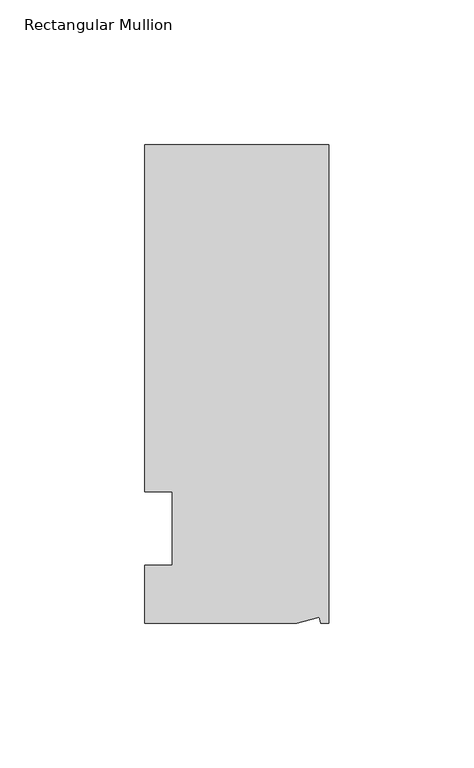
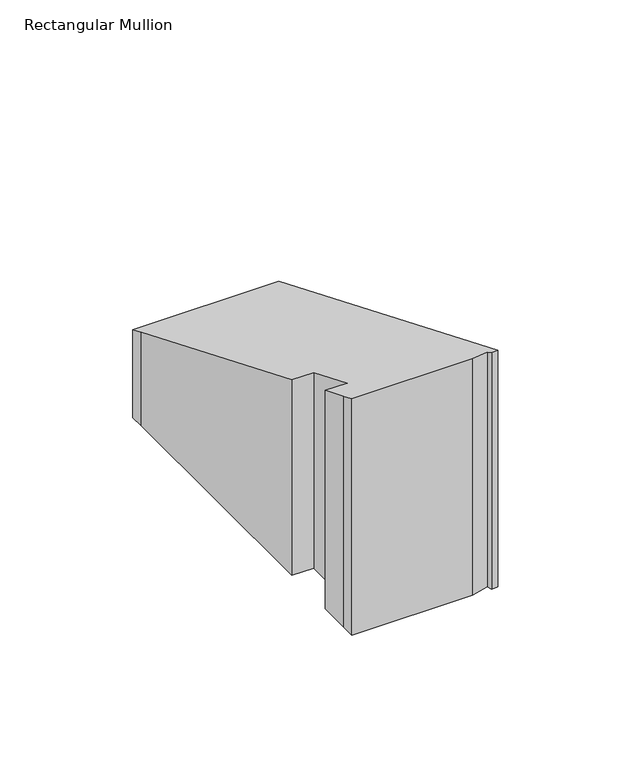
"""IFC4 building model written with IfcOpenShell, lengths in millimetres: member geometry, Rectangular Mullion."""

import ifcopenshell
import ifcopenshell.guid

model = None  # the IFC model being written
_history = None  # IfcOwnerHistory: only IFC2X3 demands one
_inside = {}  # id of a spatial element -> (the spatial element, [elements in it])
_under = {}  # id of a project, library or spatial element -> (it, [spatial elements below it])
_declared = {}  # id of a project -> (the project, [libraries it declares])
_typed = {}  # id of a type object -> (the type object, [elements of that type])
_made_of = {}  # id of a material, layer set ... -> (it, [elements and type objects made of it])


def new_model(schema):
    """Start an empty IFC model of exactly this schema.

    Asked for "IFC4X3", IfcOpenShell would pick the latest addendum, in which some entities
    have other attributes; the version numbers below select the first issue.
    IFC2X3 requires an IfcOwnerHistory on every rooted entity: one is made here for all.
    """
    global model, _history
    if schema == "IFC4X3":
        model = ifcopenshell.file(schema_version=(4, 3, 0, 0))
    else:
        model = ifcopenshell.file(schema=schema)
    _inside.clear()
    _under.clear()
    _declared.clear()
    _typed.clear()
    _made_of.clear()
    _history = None
    if model.schema == "IFC2X3":
        org = make("IfcOrganization", Name="unknown")
        user = make(
            "IfcPersonAndOrganization",
            ThePerson=make("IfcPerson", FamilyName="unknown"),
            TheOrganization=org,
        )
        app = make(
            "IfcApplication",
            ApplicationDeveloper=org,
            Version="unknown",
            ApplicationFullName="unknown",
            ApplicationIdentifier="unknown",
        )
        _history = make(
            "IfcOwnerHistory",
            OwningUser=user,
            OwningApplication=app,
            ChangeAction="ADDED",
            CreationDate=0,
        )
    return model


def make(cls, **values):
    """One entity of the class cls with the attributes given. An attribute that is None is left unset."""
    return model.create_entity(
        cls, **{name: value for name, value in values.items() if value is not None}
    )


def rooted(cls, **values):
    """An entity with a GlobalId (a new one), such as an element, a storey or a relation."""
    return make(cls, GlobalId=ifcopenshell.guid.new(), OwnerHistory=_history, **values)


def si_unit(unit_type, name, prefix=None):
    """IfcSIUnit, for example si_unit("LENGTHUNIT", "METRE", prefix="MILLI")."""
    return make("IfcSIUnit", UnitType=unit_type, Prefix=prefix, Name=name)


def assignment(units):
    """IfcUnitAssignment: the units of a project."""
    return None if units is None else make("IfcUnitAssignment", Units=units)


def point(xyz):
    """IfcCartesianPoint."""
    return None if xyz is None else make("IfcCartesianPoint", Coordinates=xyz)


def direction(xyz):
    """IfcDirection."""
    return None if xyz is None else make("IfcDirection", DirectionRatios=xyz)


def frame(location, z_axis=None, x_axis=None):
    """IfcAxis2Placement3D, a coordinate frame: its origin and axes. An axis left out is left unset."""
    return make(
        "IfcAxis2Placement3D",
        Location=point(location),
        Axis=direction(z_axis),
        RefDirection=direction(x_axis),
    )


def origin():
    """The frame at (0, 0, 0) with its axes left unset."""
    return frame((0.0, 0.0, 0.0))


def place(relative_to, where):
    """IfcLocalPlacement: puts the frame where relative to a parent placement (None: the world)."""
    return make(
        "IfcLocalPlacement", PlacementRelTo=relative_to, RelativePlacement=where
    )


def context(
    kind, dimensions, precision=None, world=None, true_north=None, identifier=None
):
    """IfcGeometricRepresentationContext, for example the 3D "Model" context."""
    return make(
        "IfcGeometricRepresentationContext",
        ContextIdentifier=identifier,
        ContextType=kind,
        CoordinateSpaceDimension=dimensions,
        Precision=precision,
        WorldCoordinateSystem=world,
        TrueNorth=true_north,
    )


def project(units=None, contexts=None):
    """IfcProject with its units and contexts."""
    return rooted(
        "IfcProject",
        Name="project",
        RepresentationContexts=contexts,
        UnitsInContext=assignment(units),
    )


def spatial(cls, under=None, at=None, **own):
    """A site, building, storey or space (cls), placed at a placement, below another one or the project."""
    s = rooted(cls, ObjectPlacement=at, **own)
    if under is not None:
        _under.setdefault(under.id(), (under, []))[1].append(s)
    return s


def faces_of(points, faces, orient=None, outer=None):
    """IfcFace entities. A face is a list of loops; a loop is a list of indices into points, from 0.

    orient and outer hold one flag for each loop. By default every Orientation is true, the
    first loop of a face is its IfcFaceOuterBound and the others are IfcFaceBound.
    """
    made = []
    for i, loops in enumerate(faces):
        bounds = []
        for j, loop in enumerate(loops):
            is_outer = j == 0 if outer is None else outer[i][j]
            bounds.append(
                make(
                    "IfcFaceOuterBound" if is_outer else "IfcFaceBound",
                    Bound=make("IfcPolyLoop", Polygon=[points[k] for k in loop]),
                    Orientation=True if orient is None else orient[i][j],
                )
            )
        made.append(make("IfcFace", Bounds=bounds))
    return made


def faceted_brep(points, faces, orient=None, outer=None, voids=None):
    """IfcFacetedBrep: a solid bounded by flat faces; with voids (closed shells), ...WithVoids."""
    shared = [point(p) for p in points]
    hull = make("IfcClosedShell", CfsFaces=faces_of(shared, faces, orient, outer))
    if voids is None:
        return make("IfcFacetedBrep", Outer=hull)
    return make(
        "IfcFacetedBrepWithVoids",
        Outer=hull,
        Voids=[
            make(cls, CfsFaces=faces_of(shared, fs, o, b)) for cls, fs, o, b in voids
        ],
    )


def shape(context_of_items, identifier, shape_type, items):
    """IfcShapeRepresentation: the items that make up one representation, for example the "Body"."""
    return make(
        "IfcShapeRepresentation",
        ContextOfItems=context_of_items,
        RepresentationIdentifier=identifier,
        RepresentationType=shape_type,
        Items=items,
    )


def source(mapping_origin, context_of_items, identifier, shape_type, items):
    """IfcRepresentationMap: a shape defined once, which mapped items show again and again."""
    return make(
        "IfcRepresentationMap",
        MappingOrigin=mapping_origin,
        MappedRepresentation=shape(context_of_items, identifier, shape_type, items),
    )


def transform(
    local_origin,
    x_axis=None,
    y_axis=None,
    z_axis=None,
    scale=None,
    scale2=None,
    scale3=None,
    uniform=True,
):
    """IfcCartesianTransformationOperator3D, or its non-uniform kind. x_axis, y_axis, z_axis: its Axis1, 2, 3."""
    if uniform:
        return make(
            "IfcCartesianTransformationOperator3D",
            Axis1=direction(x_axis),
            Axis2=direction(y_axis),
            LocalOrigin=point(local_origin),
            Scale=scale,
            Axis3=direction(z_axis),
        )
    return make(
        "IfcCartesianTransformationOperator3DnonUniform",
        Axis1=direction(x_axis),
        Axis2=direction(y_axis),
        LocalOrigin=point(local_origin),
        Scale=scale,
        Axis3=direction(z_axis),
        Scale2=scale2,
        Scale3=scale3,
    )


def mapped(mapping_source, mapping_target):
    """IfcMappedItem: shows the shape of a source again, moved by a transform."""
    return make(
        "IfcMappedItem", MappingSource=mapping_source, MappingTarget=mapping_target
    )


def made_of(thing, what):
    """Note that an element or type object is made of a material, layer set ...; save() writes the relation."""
    if what is not None:
        _made_of.setdefault(what.id(), (what, []))[1].append(thing)
    return thing


def element(
    cls,
    number,
    at=None,
    inside=None,
    cuts=None,
    type_object=None,
    material=None,
    context=None,
    identifier="Body",
    shape_type=None,
    held_by="IfcProductDefinitionShape",
    body=None,
    shapes=None,
    **own,
):
    """One element of the class cls, such as IfcWall. Its Tag is "e" and its number.

    at: its placement. inside: the storey or other place that contains it. cuts: it is an
    opening in that element (IfcRelVoidsElement). A single representation is given by context,
    identifier, shape_type and body (its items); several are given by shapes. held_by: the class
    of the entity that holds the representations. save() writes the other relations.
    """
    e = rooted(cls, Tag="e%d" % number, ObjectPlacement=at, **own)
    if body is not None:
        shapes = [shape(context, identifier, shape_type, body)]
    if shapes is not None:
        e.Representation = make(held_by, Representations=shapes)
    if inside is not None:
        _inside.setdefault(inside.id(), (inside, []))[1].append(e)
    if cuts is not None:
        rooted(
            "IfcRelVoidsElement", RelatingBuildingElement=cuts, RelatedOpeningElement=e
        )
    if type_object is not None:
        _typed.setdefault(type_object.id(), (type_object, []))[1].append(e)
    return made_of(e, material)


def aggregate(whole, parts):
    """IfcRelAggregates: a whole, such as a stair, and the parts it consists of."""
    return rooted("IfcRelAggregates", RelatingObject=whole, RelatedObjects=parts)


def save(model, path):
    """Write the relations noted so far, then the file.

    IfcRelAggregates (storeys below a building ...), IfcRelContainedInSpatialStructure (elements
    in a storey), IfcRelDefinesByType, IfcRelAssociatesMaterial and IfcRelDeclares: one each for
    every whole, place, type object, material and project.
    """
    for whole, parts in _under.values():
        aggregate(whole, parts)
    for where, things in _inside.values():
        rooted(
            "IfcRelContainedInSpatialStructure",
            RelatedElements=things,
            RelatingStructure=where,
        )
    for kind, things in _typed.values():
        rooted("IfcRelDefinesByType", RelatedObjects=things, RelatingType=kind)
    for what, things in _made_of.values():
        rooted("IfcRelAssociatesMaterial", RelatedObjects=things, RelatingMaterial=what)
    for by, libraries in _declared.values():
        rooted("IfcRelDeclares", RelatingContext=by, RelatedDefinitions=libraries)
    model.write(path)


def rectangular_mullion_9cc9a3cc(model_context):
    return source(origin(), model_context, "Body", "Brep", [
        faceted_brep([(0.0, 132.5561012, -95.25), (0.0, -32.5438988, -95.25), (-2.7616541, -32.5438988, -95.25), (-3.3341886, -30.4622958, -95.25), (-11.121847, -32.5438988, -95.25), (-63.5, -32.5438988, -95.25), (-63.5, -26.1938988, -95.25), (-63.5, -12.5945801, -95.25), (-53.975, -12.5945801, -95.25), (-53.975, 12.8054199, -95.25), (-63.5, 12.8054199, -95.25), (-63.5, 126.2061012, -95.25), (-63.5, 132.5561012, -95.25), (-63.5, 132.5561012, -54.9065349), (0.0, 132.5561012, -54.9065349), (-63.5, 12.8054199, -5.3041786), (-63.5, 126.2061012, -52.2762788), (-53.975, 12.8054199, -5.3041786), (-53.975, -12.5945801, 5.2168459), (-63.5, -12.5945801, 5.2168459), (-63.5, -26.1938988, 10.8498681), (-11.121847, -32.5438988, 13.4801243), (-63.5, -32.5438988, 13.4801243), (-3.3341886, -30.4622958, 12.617896), (-2.7616541, -32.5438988, 13.4801243), (0.0, -32.5438988, 13.4801243)], [[[0, 1, 2, 3, 4, 5, 6, 7, 8, 9, 10, 11, 12]], [[13, 14, 0, 12]], [[15, 16, 11, 10]], [[17, 15, 10, 9]], [[18, 17, 9, 8]], [[19, 18, 8, 7]], [[20, 19, 7, 6]], [[21, 22, 5, 4]], [[23, 21, 4, 3]], [[24, 23, 3, 2]], [[25, 24, 2, 1]], [[14, 25, 1, 0]], [[14, 13, 16, 15, 17, 18, 19, 20, 22, 21, 23, 24, 25]], [[16, 13, 12, 11]], [[22, 20, 6, 5]]]),
    ])


if __name__ == "__main__":
    model = new_model("IFC4")
    model_context = context("Model", 3, world=origin())
    ifc_project = project(units=[si_unit("LENGTHUNIT", "METRE", prefix="MILLI")], contexts=[model_context])
    site = spatial("IfcSite", under=ifc_project)
    building = spatial("IfcBuilding", under=site)
    placement = place(None, origin())
    rectangular_mullion_shape = rectangular_mullion_9cc9a3cc(model_context)
    element("IfcMember", 1, ObjectType="Rectangular Mullion", at=placement, inside=building, context=model_context, shape_type="MappedRepresentation", body=[
        mapped(rectangular_mullion_shape, transform((0.0, 0.0, 0.0), x_axis=(1.0, 0.0, 0.0), y_axis=(0.0, 1.0, 0.0), z_axis=(0.0, 0.0, 1.0))),
    ])
    save(model, "model.ifc")
